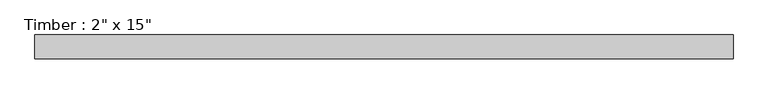
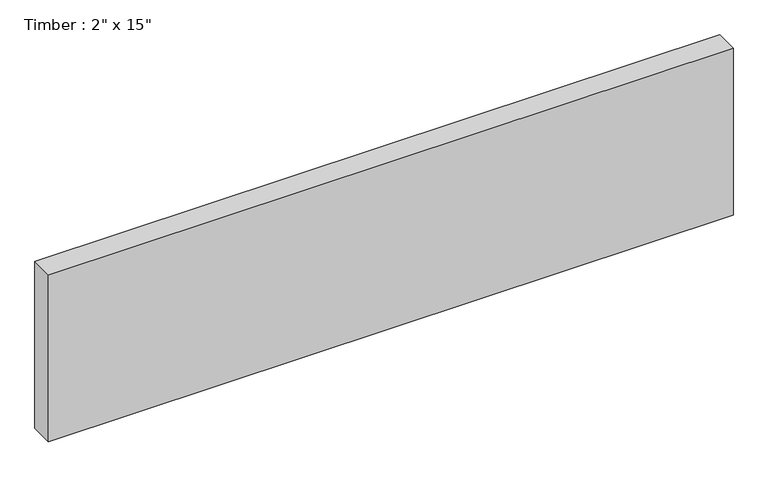
"""IFC4 building model written with IfcOpenShell, lengths in millimetres: beam geometry."""

from ifc_helpers import new_model, si_unit, frame, origin, place, context, project, spatial, polyline, outline, extrude, source, transform, mapped, element, save


def beam_8726a3b1(model_context):
    return source(origin(), model_context, "Body", "SweptSolid", [
        extrude(outline(polyline([(738.6853528, 25.4), (738.6853528, -25.4), (-738.6853528, -25.4), (-738.6853528, 25.4), (738.6853528, 25.4)])), frame((0.0, 0.0, -190.5), z_axis=(0.0, 0.0, 1.0), x_axis=(1.0, 0.0, 0.0)), (0.0, 0.0, 1.0), 381.0),
    ])


if __name__ == "__main__":
    model = new_model("IFC4")
    model_context = context("Model", 3, world=origin())
    ifc_project = project(units=[si_unit("LENGTHUNIT", "METRE", prefix="MILLI")], contexts=[model_context])
    site = spatial("IfcSite", under=ifc_project)
    building = spatial("IfcBuilding", under=site)
    placement = place(None, origin())
    beam_shape = beam_8726a3b1(model_context)
    element("IfcBeam", 1, ObjectType="Timber : 2\" x 15\"", at=placement, inside=building, context=model_context, shape_type="MappedRepresentation", body=[
        mapped(beam_shape, transform((0.0, 0.0, 0.0), x_axis=(1.0, 0.0, 0.0), y_axis=(0.0, 1.0, 0.0), z_axis=(0.0, 0.0, 1.0))),
    ])
    save(model, "model.ifc")
